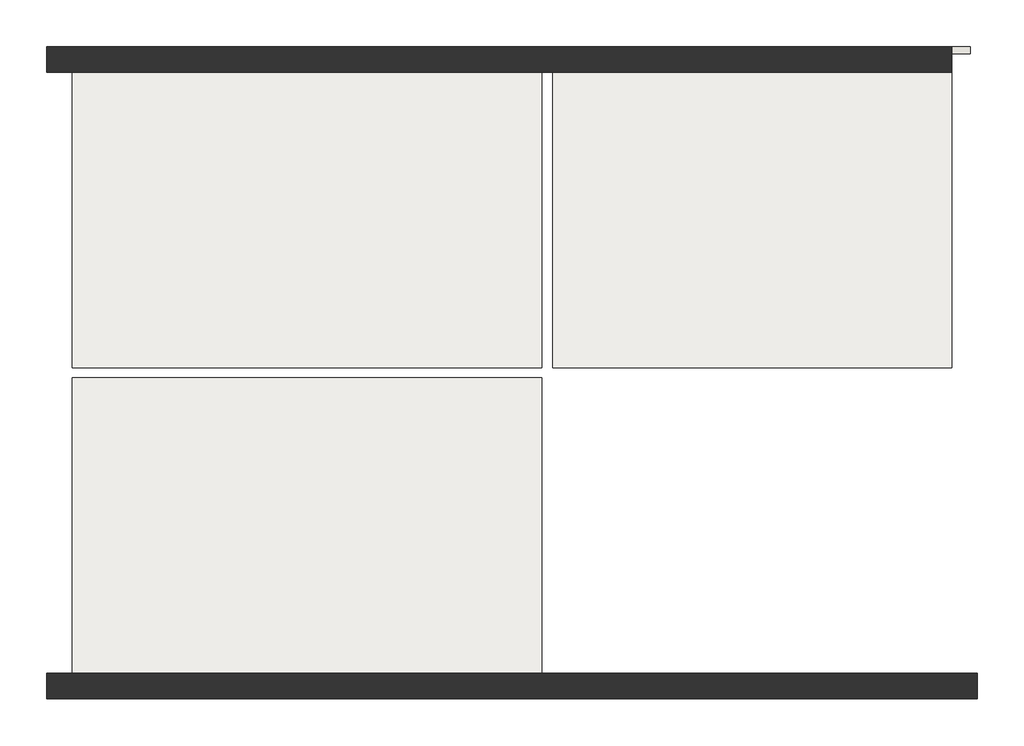
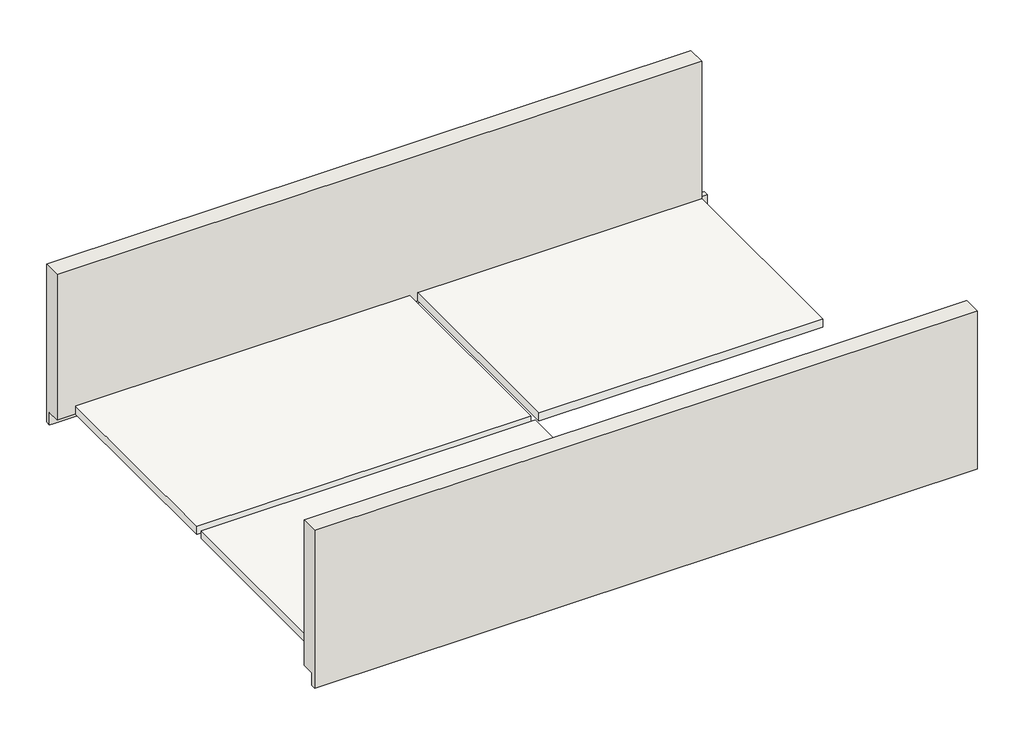
# One storey: 3 slabs, 2 walls.
"""IFC4 building model written with IfcOpenShell, lengths in millimetres."""

from ifc_helpers import new_model, si_unit, frame, origin, place, context, project, spatial, polyline, outline, extrude, faceted_brep, element, save

model = new_model("IFC4")

# Units and contexts
model_context = context("Model", 3, world=origin())
ifc_project = project(units=[si_unit("LENGTHUNIT", "METRE", prefix="MILLI")], contexts=[model_context])

# Site, building, storey
site = spatial("IfcSite", under=ifc_project)
building = spatial("IfcBuilding", under=site)
storey = spatial("IfcBuildingStorey", under=building, Elevation=3100.0)

# Slabs
placement = place(None, origin())
element("IfcSlab", 1, ObjectType="Floor_17", at=placement, inside=storey, context=model_context, shape_type="SweptSolid", body=[
    extrude(outline(polyline([(-3263.8319159, 7424.6977103), (-3263.8319159, 11664.6977103), (3476.1680841, 11664.6977103), (3476.1680841, 7424.6977103), (-3263.8319159, 7424.6977103)])), frame((0.0, 0.0, 2930.0), z_axis=(0.0, 0.0, 1.0), x_axis=(1.0, 0.0, 0.0)), (0.0, 0.0, 1.0), 170.0),
])
element("IfcSlab", 2, ObjectType="Floor_17", at=placement, inside=storey, context=model_context, shape_type="SweptSolid", body=[
    extrude(outline(polyline([(9366.1680841, 11664.6977103), (9366.1680841, 7424.6977103), (3636.1680841, 7424.6977103), (3636.1680841, 11664.6977103), (9366.1680841, 11664.6977103)])), frame((0.0, 0.0, 2930.0), z_axis=(0.0, 0.0, 1.0), x_axis=(1.0, 0.0, 0.0)), (0.0, 0.0, 1.0), 170.0),
])
element("IfcSlab", 3, ObjectType="Floor_17", at=placement, inside=storey, context=model_context, shape_type="SweptSolid", body=[
    extrude(outline(polyline([(-3263.8319159, 3034.6977103), (-3263.8319159, 7274.6977103), (3476.1680841, 7274.6977103), (3476.1680841, 3034.6977103), (-3263.8319159, 3034.6977103)])), frame((0.0, 0.0, 2930.0), z_axis=(0.0, 0.0, 1.0), x_axis=(1.0, 0.0, 0.0)), (0.0, 0.0, 1.0), 170.0),
])

# Walls
element("IfcWall", 4, ObjectType="Wall_Ext_37cm", at=placement, inside=storey, context=model_context, shape_type="Brep", body=[
    faceted_brep([(-3633.8319159, 2664.6977103, 2660.0), (9736.1680841, 2664.6977103, 2660.0), (9736.1680841, 2664.6977103, 6030.0), (-3633.8319159, 2664.6977103, 6030.0), (-3633.8319159, 3034.6977103, 2930.0), (-3633.8319159, 3034.6977103, 6030.0), (-3263.8319159, 3034.6977103, 6030.0), (3476.1680841, 3034.6977103, 6030.0), (3626.1680841, 3034.6977103, 6030.0), (9366.1680841, 3034.6977103, 6030.0), (9736.1680841, 3034.6977103, 6030.0), (9736.1680841, 3034.6977103, 2930.0), (9366.1680841, 3034.6977103, 2930.0), (3626.1680841, 3034.6977103, 2930.0), (3476.1680841, 3034.6977103, 2930.0), (-3263.8319159, 3034.6977103, 2930.0), (-3633.8319159, 2764.6977103, 2930.0), (9736.1680841, 2764.6977103, 2930.0), (9636.1680841, 2764.6977103, 2930.0), (-3533.8319159, 2764.6977103, 2930.0), (9736.1680841, 2764.6977103, 2660.0), (9636.1680841, 2764.6977103, 2660.0), (-3533.8319159, 2764.6977103, 2660.0), (-3633.8319159, 2764.6977103, 2660.0)], [[[0, 1, 2, 3]], [[4, 5, 6, 7, 8, 9, 10, 11, 12, 13, 14, 15]], [[3, 2, 10, 9, 8, 7, 6, 5]], [[16, 4, 15, 14, 13, 12, 11, 17, 18, 19]], [[2, 1, 20, 17, 11, 10]], [[20, 21, 22, 23, 16, 19, 18, 17]], [[1, 0, 23, 22, 21, 20]], [[0, 3, 5, 4, 16, 23]]]),
])
element("IfcWall", 5, ObjectType="Wall_Ext_37cm", at=placement, inside=storey, context=model_context, shape_type="Brep", body=[
    faceted_brep([(-3633.8319159, 12034.6977103, 6030.0), (9366.1680841, 12034.6977103, 6030.0), (9366.1680841, 12034.6977103, 2930.0), (9636.1680841, 12034.6977103, 2930.0), (9636.1680841, 12034.6977103, 2660.0), (9366.1680841, 12034.6977103, 2660.0), (-3263.8319159, 12034.6977103, 2660.0), (-3633.8319159, 12034.6977103, 2660.0), (-3633.8319159, 11664.6977103, 2930.0), (-3263.8319159, 11664.6977103, 2930.0), (3476.1680841, 11664.6977103, 2930.0), (3626.1680841, 11664.6977103, 2930.0), (9366.1680841, 11664.6977103, 2930.0), (9366.1680841, 11664.6977103, 6030.0), (3626.1680841, 11664.6977103, 6030.0), (3476.1680841, 11664.6977103, 6030.0), (-3263.8319159, 11664.6977103, 6030.0), (-3633.8319159, 11664.6977103, 6030.0), (-3633.8319159, 11934.6977103, 2930.0), (-3533.8319159, 11934.6977103, 2930.0), (9366.1680841, 11934.6977103, 2930.0), (-3633.8319159, 11934.6977103, 2660.0), (-3533.8319159, 11934.6977103, 2660.0), (9636.1680841, 11934.6977103, 2660.0), (9636.1680841, 11934.6977103, 2930.0)], [[[0, 1, 2, 3, 4, 5, 6, 7]], [[8, 9, 10, 11, 12, 13, 14, 15, 16, 17]], [[1, 0, 17, 16, 15, 14, 13]], [[12, 11, 10, 9, 8, 18, 19, 20]], [[1, 13, 12, 20, 2]], [[20, 19, 18, 21, 22, 23, 24]], [[7, 6, 5, 4, 23, 22, 21]], [[0, 7, 21, 18, 8, 17]], [[3, 2, 20, 24]], [[23, 4, 3, 24]]]),
])

save(model, "model.ifc")
